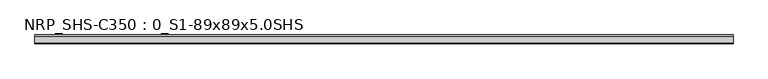
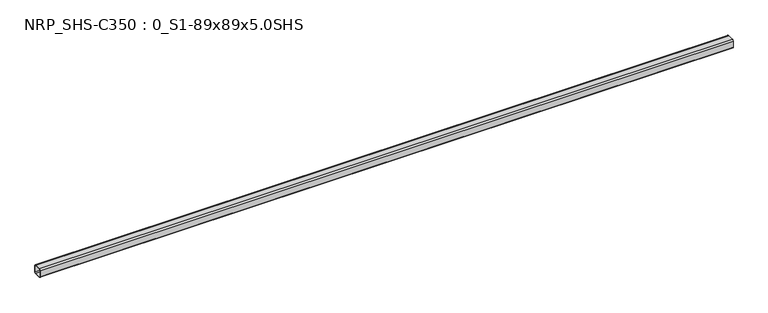
"""IFC4 building model written with IfcOpenShell, lengths in millimetres: beam geometry, NRP_SHS-C350 : 0_S1-89x89x5.0SHS."""

from ifc_helpers import new_model, si_unit, point, frame, frame_2d, origin, place, context, project, spatial, polyline, circle_curve, trimmed, segment, composite_curve, outline, extrude, source, transform, mapped, element, save


def nrp_shs_c350_0_s1_89x89x5_0shs_9124aae9(model_context):
    return source(origin(), model_context, "Body", "SweptSolid", [
        extrude(outline(composite_curve([segment(polyline([(44.5, 32.0), (44.5, -32.0)]), True, "CONTINUOUS"), segment(trimmed(circle_curve(frame_2d((32.0, -32.0)), 12.5), [point((44.5, -32.0))], [point((32.0, -44.5))], False, "CARTESIAN"), True, "CONTINUOUS"), segment(polyline([(32.0, -44.5), (-32.0, -44.5)]), True, "CONTINUOUS"), segment(trimmed(circle_curve(frame_2d((-32.0, -32.0)), 12.5), [point((-32.0, -44.5))], [point((-44.5, -32.0))], False, "CARTESIAN"), True, "CONTINUOUS"), segment(polyline([(-44.5, -32.0), (-44.5, 32.0)]), True, "CONTINUOUS"), segment(trimmed(circle_curve(frame_2d((-32.0, 32.0)), 12.5), [point((-44.5, 32.0))], [point((-32.0, 44.5))], False, "CARTESIAN"), True, "CONTINUOUS"), segment(polyline([(-32.0, 44.5), (32.0, 44.5)]), True, "CONTINUOUS"), segment(trimmed(circle_curve(frame_2d((32.0, 32.0)), 12.5), [point((32.0, 44.5))], [point((44.5, 32.0))], False, "CARTESIAN"), True, "CONTINUOUS")], self_intersect=False), holes=[composite_curve([segment(trimmed(circle_curve(frame_2d((-32.0, 32.0)), 7.5), [point((-32.0, 39.5))], [point((-39.5, 32.0))], True, "CARTESIAN"), True, "CONTINUOUS"), segment(polyline([(-39.5, 32.0), (-39.5, -32.0)]), True, "CONTINUOUS"), segment(trimmed(circle_curve(frame_2d((-32.0, -32.0)), 7.5), [point((-39.5, -32.0))], [point((-32.0, -39.5))], True, "CARTESIAN"), True, "CONTINUOUS"), segment(polyline([(-32.0, -39.5), (32.0, -39.5)]), True, "CONTINUOUS"), segment(trimmed(circle_curve(frame_2d((32.0, -32.0)), 7.5), [point((32.0, -39.5))], [point((39.5, -32.0))], True, "CARTESIAN"), True, "CONTINUOUS"), segment(polyline([(39.5, -32.0), (39.5, 32.0)]), True, "CONTINUOUS"), segment(trimmed(circle_curve(frame_2d((32.0, 32.0)), 7.5), [point((39.5, 32.0))], [point((32.0, 39.5))], True, "CARTESIAN"), True, "CONTINUOUS"), segment(polyline([(32.0, 39.5), (-32.0, 39.5)]), True, "CONTINUOUS")], self_intersect=False)]), frame((-3464.5, 0.0, 0.0), z_axis=(1.0, 0.0, 0.0), x_axis=(0.0, 1.0, 0.0)), (0.0, 0.0, 1.0), 6942.0),
    ])


if __name__ == "__main__":
    model = new_model("IFC4")
    model_context = context("Model", 3, world=origin())
    ifc_project = project(units=[si_unit("LENGTHUNIT", "METRE", prefix="MILLI")], contexts=[model_context])
    site = spatial("IfcSite", under=ifc_project)
    building = spatial("IfcBuilding", under=site)
    placement = place(None, origin())
    nrp_shs_c350_0_s1_89x89x5_0shs_shape = nrp_shs_c350_0_s1_89x89x5_0shs_9124aae9(model_context)
    element("IfcBeam", 1, ObjectType="NRP_SHS-C350 : 0_S1-89x89x5.0SHS", at=placement, inside=building, context=model_context, shape_type="MappedRepresentation", body=[
        mapped(nrp_shs_c350_0_s1_89x89x5_0shs_shape, transform((0.0, 0.0, 0.0), x_axis=(1.0, 0.0, 0.0), y_axis=(0.0, 1.0, 0.0), z_axis=(0.0, 0.0, 1.0))),
    ])
    save(model, "model.ifc")
